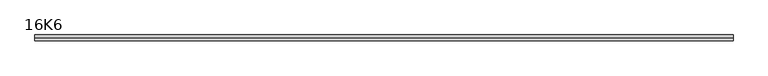
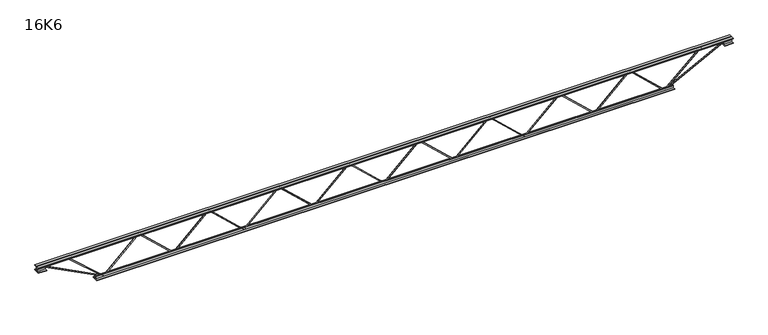
"""IFC4 building model written with IfcOpenShell, lengths in millimetres: beam geometry, 16K6."""

import ifcopenshell
import ifcopenshell.guid

model = None  # the IFC model being written
_history = None  # IfcOwnerHistory: only IFC2X3 demands one
_inside = {}  # id of a spatial element -> (the spatial element, [elements in it])
_under = {}  # id of a project, library or spatial element -> (it, [spatial elements below it])
_declared = {}  # id of a project -> (the project, [libraries it declares])
_typed = {}  # id of a type object -> (the type object, [elements of that type])
_made_of = {}  # id of a material, layer set ... -> (it, [elements and type objects made of it])


def new_model(schema):
    """Start an empty IFC model of exactly this schema.

    Asked for "IFC4X3", IfcOpenShell would pick the latest addendum, in which some entities
    have other attributes; the version numbers below select the first issue.
    IFC2X3 requires an IfcOwnerHistory on every rooted entity: one is made here for all.
    """
    global model, _history
    if schema == "IFC4X3":
        model = ifcopenshell.file(schema_version=(4, 3, 0, 0))
    else:
        model = ifcopenshell.file(schema=schema)
    _inside.clear()
    _under.clear()
    _declared.clear()
    _typed.clear()
    _made_of.clear()
    _history = None
    if model.schema == "IFC2X3":
        org = make("IfcOrganization", Name="unknown")
        user = make(
            "IfcPersonAndOrganization",
            ThePerson=make("IfcPerson", FamilyName="unknown"),
            TheOrganization=org,
        )
        app = make(
            "IfcApplication",
            ApplicationDeveloper=org,
            Version="unknown",
            ApplicationFullName="unknown",
            ApplicationIdentifier="unknown",
        )
        _history = make(
            "IfcOwnerHistory",
            OwningUser=user,
            OwningApplication=app,
            ChangeAction="ADDED",
            CreationDate=0,
        )
    return model


def make(cls, **values):
    """One entity of the class cls with the attributes given. An attribute that is None is left unset."""
    return model.create_entity(
        cls, **{name: value for name, value in values.items() if value is not None}
    )


def rooted(cls, **values):
    """An entity with a GlobalId (a new one), such as an element, a storey or a relation."""
    return make(cls, GlobalId=ifcopenshell.guid.new(), OwnerHistory=_history, **values)


def si_unit(unit_type, name, prefix=None):
    """IfcSIUnit, for example si_unit("LENGTHUNIT", "METRE", prefix="MILLI")."""
    return make("IfcSIUnit", UnitType=unit_type, Prefix=prefix, Name=name)


def assignment(units):
    """IfcUnitAssignment: the units of a project."""
    return None if units is None else make("IfcUnitAssignment", Units=units)


def point(xyz):
    """IfcCartesianPoint."""
    return None if xyz is None else make("IfcCartesianPoint", Coordinates=xyz)


def direction(xyz):
    """IfcDirection."""
    return None if xyz is None else make("IfcDirection", DirectionRatios=xyz)


def frame(location, z_axis=None, x_axis=None):
    """IfcAxis2Placement3D, a coordinate frame: its origin and axes. An axis left out is left unset."""
    return make(
        "IfcAxis2Placement3D",
        Location=point(location),
        Axis=direction(z_axis),
        RefDirection=direction(x_axis),
    )


def origin():
    """The frame at (0, 0, 0) with its axes left unset."""
    return frame((0.0, 0.0, 0.0))


def place(relative_to, where):
    """IfcLocalPlacement: puts the frame where relative to a parent placement (None: the world)."""
    return make(
        "IfcLocalPlacement", PlacementRelTo=relative_to, RelativePlacement=where
    )


def context(
    kind, dimensions, precision=None, world=None, true_north=None, identifier=None
):
    """IfcGeometricRepresentationContext, for example the 3D "Model" context."""
    return make(
        "IfcGeometricRepresentationContext",
        ContextIdentifier=identifier,
        ContextType=kind,
        CoordinateSpaceDimension=dimensions,
        Precision=precision,
        WorldCoordinateSystem=world,
        TrueNorth=true_north,
    )


def project(units=None, contexts=None):
    """IfcProject with its units and contexts."""
    return rooted(
        "IfcProject",
        Name="project",
        RepresentationContexts=contexts,
        UnitsInContext=assignment(units),
    )


def spatial(cls, under=None, at=None, **own):
    """A site, building, storey or space (cls), placed at a placement, below another one or the project."""
    s = rooted(cls, ObjectPlacement=at, **own)
    if under is not None:
        _under.setdefault(under.id(), (under, []))[1].append(s)
    return s


def polyline(points):
    """IfcPolyline through the points."""
    return make("IfcPolyline", Points=[point(p) for p in points])


def outline(outer, holes=None, kind="AREA"):
    """IfcArbitraryClosedProfileDef: a profile drawn as a closed curve; with holes, ...WithVoids."""
    if holes is None:
        return make("IfcArbitraryClosedProfileDef", ProfileType=kind, OuterCurve=outer)
    return make(
        "IfcArbitraryProfileDefWithVoids",
        ProfileType=kind,
        OuterCurve=outer,
        InnerCurves=holes,
    )


def extrude(swept, where, along, depth):
    """IfcExtrudedAreaSolid: the profile swept, set in the frame where, extruded along a direction by depth."""
    return make(
        "IfcExtrudedAreaSolid",
        SweptArea=swept,
        Position=where,
        ExtrudedDirection=direction(along),
        Depth=depth,
    )


def shape(context_of_items, identifier, shape_type, items):
    """IfcShapeRepresentation: the items that make up one representation, for example the "Body"."""
    return make(
        "IfcShapeRepresentation",
        ContextOfItems=context_of_items,
        RepresentationIdentifier=identifier,
        RepresentationType=shape_type,
        Items=items,
    )


def source(mapping_origin, context_of_items, identifier, shape_type, items):
    """IfcRepresentationMap: a shape defined once, which mapped items show again and again."""
    return make(
        "IfcRepresentationMap",
        MappingOrigin=mapping_origin,
        MappedRepresentation=shape(context_of_items, identifier, shape_type, items),
    )


def transform(
    local_origin,
    x_axis=None,
    y_axis=None,
    z_axis=None,
    scale=None,
    scale2=None,
    scale3=None,
    uniform=True,
):
    """IfcCartesianTransformationOperator3D, or its non-uniform kind. x_axis, y_axis, z_axis: its Axis1, 2, 3."""
    if uniform:
        return make(
            "IfcCartesianTransformationOperator3D",
            Axis1=direction(x_axis),
            Axis2=direction(y_axis),
            LocalOrigin=point(local_origin),
            Scale=scale,
            Axis3=direction(z_axis),
        )
    return make(
        "IfcCartesianTransformationOperator3DnonUniform",
        Axis1=direction(x_axis),
        Axis2=direction(y_axis),
        LocalOrigin=point(local_origin),
        Scale=scale,
        Axis3=direction(z_axis),
        Scale2=scale2,
        Scale3=scale3,
    )


def mapped(mapping_source, mapping_target):
    """IfcMappedItem: shows the shape of a source again, moved by a transform."""
    return make(
        "IfcMappedItem", MappingSource=mapping_source, MappingTarget=mapping_target
    )


def made_of(thing, what):
    """Note that an element or type object is made of a material, layer set ...; save() writes the relation."""
    if what is not None:
        _made_of.setdefault(what.id(), (what, []))[1].append(thing)
    return thing


def element(
    cls,
    number,
    at=None,
    inside=None,
    cuts=None,
    type_object=None,
    material=None,
    context=None,
    identifier="Body",
    shape_type=None,
    held_by="IfcProductDefinitionShape",
    body=None,
    shapes=None,
    **own,
):
    """One element of the class cls, such as IfcWall. Its Tag is "e" and its number.

    at: its placement. inside: the storey or other place that contains it. cuts: it is an
    opening in that element (IfcRelVoidsElement). A single representation is given by context,
    identifier, shape_type and body (its items); several are given by shapes. held_by: the class
    of the entity that holds the representations. save() writes the other relations.
    """
    e = rooted(cls, Tag="e%d" % number, ObjectPlacement=at, **own)
    if body is not None:
        shapes = [shape(context, identifier, shape_type, body)]
    if shapes is not None:
        e.Representation = make(held_by, Representations=shapes)
    if inside is not None:
        _inside.setdefault(inside.id(), (inside, []))[1].append(e)
    if cuts is not None:
        rooted(
            "IfcRelVoidsElement", RelatingBuildingElement=cuts, RelatedOpeningElement=e
        )
    if type_object is not None:
        _typed.setdefault(type_object.id(), (type_object, []))[1].append(e)
    return made_of(e, material)


def aggregate(whole, parts):
    """IfcRelAggregates: a whole, such as a stair, and the parts it consists of."""
    return rooted("IfcRelAggregates", RelatingObject=whole, RelatedObjects=parts)


def save(model, path):
    """Write the relations noted so far, then the file.

    IfcRelAggregates (storeys below a building ...), IfcRelContainedInSpatialStructure (elements
    in a storey), IfcRelDefinesByType, IfcRelAssociatesMaterial and IfcRelDeclares: one each for
    every whole, place, type object, material and project.
    """
    for whole, parts in _under.values():
        aggregate(whole, parts)
    for where, things in _inside.values():
        rooted(
            "IfcRelContainedInSpatialStructure",
            RelatedElements=things,
            RelatingStructure=where,
        )
    for kind, things in _typed.values():
        rooted("IfcRelDefinesByType", RelatedObjects=things, RelatingType=kind)
    for what, things in _made_of.values():
        rooted("IfcRelAssociatesMaterial", RelatedObjects=things, RelatingMaterial=what)
    for by, libraries in _declared.values():
        rooted("IfcRelDeclares", RelatingContext=by, RelatedDefinitions=libraries)
    model.write(path)


def beam_16k6_288b4460(model_context):
    return source(origin(), model_context, "Body", "SweptSolid", [
        extrude(outline(polyline([(-191.9, 1707.8571429), (-201.4, 1707.8571429), (-201.4, 1712.9072406), (191.9, 2133.4322406), (191.9, 2136.0320452), (-201.4, 2556.5570452), (-201.4, 2561.6071429), (-191.9, 2561.6071429), (-191.9, 2560.3072406), (201.4, 2139.7822406), (201.4, 2129.6820452), (-191.9, 1709.1570452), (-191.9, 1707.8571429)])), frame((0.0, -4.75, 0.0), z_axis=(0.0, 1.0, 0.0), x_axis=(0.0, 0.0, 1.0)), (0.0, 0.0, 1.0), 9.5),
        extrude(outline(polyline([(-191.9, 853.9642857), (-201.4, 853.9642857), (-201.4, 859.0143834), (191.9, 1279.5393834), (191.9, 1282.139188), (-201.4, 1702.664188), (-201.4, 1707.7142857), (-191.9, 1707.7142857), (-191.9, 1706.4143834), (201.4, 1285.8893834), (201.4, 1275.789188), (-191.9, 855.264188), (-191.9, 853.9642857)])), frame((0.0, -4.75, 0.0), z_axis=(0.0, 1.0, 0.0), x_axis=(0.0, 0.0, 1.0)), (0.0, 0.0, 1.0), 9.5),
        extrude(outline(polyline([(-191.9, 0.0714286), (-201.4, 0.0714286), (-201.4, 5.1215263), (191.9, 425.6465263), (191.9, 428.2463309), (-201.4, 848.7713309), (-201.4, 853.8214286), (-191.9, 853.8214286), (-191.9, 852.5215263), (201.4, 431.9965263), (201.4, 421.8963309), (-191.9, 1.3713309), (-191.9, 0.0714286)])), frame((0.0, -4.75, 0.0), z_axis=(0.0, 1.0, 0.0), x_axis=(0.0, 0.0, 1.0)), (0.0, 0.0, 1.0), 9.5),
        extrude(outline(polyline([(-191.9, -853.8214286), (-201.4, -853.8214286), (-201.4, -848.7713309), (191.9, -428.2463309), (191.9, -425.6465263), (-201.4, -5.1215263), (-201.4, -0.0714286), (-191.9, -0.0714286), (-191.9, -1.3713309), (201.4, -421.8963309), (201.4, -431.9965263), (-191.9, -852.5215263), (-191.9, -853.8214286)])), frame((0.0, -4.75, 0.0), z_axis=(0.0, 1.0, 0.0), x_axis=(0.0, 0.0, 1.0)), (0.0, 0.0, 1.0), 9.5),
        extrude(outline(polyline([(-191.9, -1707.7142857), (-201.4, -1707.7142857), (-201.4, -1702.664188), (191.9, -1282.139188), (191.9, -1279.5393834), (-201.4, -859.0143834), (-201.4, -853.9642857), (-191.9, -853.9642857), (-191.9, -855.264188), (201.4, -1275.789188), (201.4, -1285.8893834), (-191.9, -1706.4143834), (-191.9, -1707.7142857)])), frame((0.0, -4.75, 0.0), z_axis=(0.0, 1.0, 0.0), x_axis=(0.0, 0.0, 1.0)), (0.0, 0.0, 1.0), 9.5),
        extrude(outline(polyline([(-191.9, -2561.6071429), (-201.4, -2561.6071429), (-201.4, -2556.5570452), (191.9, -2136.0320452), (191.9, -2133.4322406), (-201.4, -1712.9072406), (-201.4, -1707.8571429), (-191.9, -1707.8571429), (-191.9, -1709.1570452), (201.4, -2129.6820452), (201.4, -2139.7822406), (-191.9, -2560.3072406), (-191.9, -2561.6071429)])), frame((0.0, -4.75, 0.0), z_axis=(0.0, 1.0, 0.0), x_axis=(0.0, 0.0, 1.0)), (0.0, 0.0, 1.0), 9.5),
        extrude(outline(polyline([(-191.9, 2561.75), (-201.4, 2561.75), (-201.4, 2566.8000977), (191.9, 2987.3250977), (191.9, 2989.9249023), (-201.4, 3410.4499023), (-201.4, 3415.5), (-191.9, 3415.5), (-191.9, 3414.2000977), (201.4, 2993.6750977), (201.4, 2983.5749023), (-191.9, 2563.0499023), (-191.9, 2561.75)])), frame((0.0, -4.75, 0.0), z_axis=(0.0, 1.0, 0.0), x_axis=(0.0, 0.0, 1.0)), (0.0, 0.0, 1.0), 9.5),
        extrude(outline(polyline([(-191.9, -3415.5), (-201.4, -3415.5), (-201.4, -3410.4499023), (191.9, -2989.9249023), (191.9, -2987.3250977), (-201.4, -2566.8000977), (-201.4, -2561.75), (-191.9, -2561.75), (-191.9, -2563.0499023), (201.4, -2983.5749023), (201.4, -2993.6750977), (-191.9, -3414.2000977), (-191.9, -3415.5)])), frame((0.0, -4.75, 0.0), z_axis=(0.0, 1.0, 0.0), x_axis=(0.0, 0.0, 1.0)), (0.0, 0.0, 1.0), 9.5),
        extrude(outline(polyline([(4.75, 203.0), (36.75, 203.0), (36.75, 196.5), (11.25, 196.5), (11.25, 171.0), (4.75, 171.0), (4.75, 203.0)])), frame((-4227.5, 0.0, 0.0), z_axis=(1.0, 0.0, 0.0), x_axis=(0.0, 1.0, 0.0)), (0.0, 0.0, 1.0), 8455.0),
        extrude(outline(polyline([(-4.75, 203.0), (-4.75, 171.0), (-11.25, 171.0), (-11.25, 196.5), (-36.75, 196.5), (-36.75, 203.0), (-4.75, 203.0)])), frame((-4227.5, 0.0, 0.0), z_axis=(1.0, 0.0, 0.0), x_axis=(0.0, 1.0, 0.0)), (0.0, 0.0, 1.0), 8455.0),
        extrude(outline(polyline([(-4.75, 139.5), (-36.75, 139.5), (-36.75, 146.0), (-11.25, 146.0), (-11.25, 171.0), (-4.75, 171.0), (-4.75, 139.5)])), frame((-4227.5, 0.0, 0.0), z_axis=(1.0, 0.0, 0.0), x_axis=(0.0, 1.0, 0.0)), (0.0, 0.0, 1.0), 100.0),
        extrude(outline(polyline([(36.75, 139.5), (4.75, 139.5), (4.75, 171.0), (11.25, 171.0), (11.25, 146.0), (36.75, 146.0), (36.75, 139.5)])), frame((-4227.5, 0.0, 0.0), z_axis=(1.0, 0.0, 0.0), x_axis=(0.0, 1.0, 0.0)), (0.0, 0.0, 1.0), 100.0),
        extrude(outline(polyline([(4.75, 139.5), (4.75, 171.0), (11.25, 171.0), (11.25, 146.0), (36.75, 146.0), (36.75, 139.5), (4.75, 139.5)])), frame((4127.5, 0.0, 0.0), z_axis=(1.0, 0.0, 0.0), x_axis=(0.0, 1.0, 0.0)), (0.0, 0.0, 1.0), 100.0),
        extrude(outline(polyline([(-4.75, 139.5), (-36.75, 139.5), (-36.75, 146.0), (-11.25, 146.0), (-11.25, 171.0), (-4.75, 171.0), (-4.75, 139.5)])), frame((4127.5, 0.0, 0.0), z_axis=(1.0, 0.0, 0.0), x_axis=(0.0, 1.0, 0.0)), (0.0, 0.0, 1.0), 100.0),
        extrude(outline(polyline([(4.75, -203.0), (4.75, -171.0), (11.25, -171.0), (11.25, -196.5), (36.75, -196.5), (36.75, -203.0), (4.75, -203.0)])), frame((-3515.5, 0.0, 0.0), z_axis=(1.0, 0.0, 0.0), x_axis=(0.0, 1.0, 0.0)), (0.0, 0.0, 1.0), 7031.0),
        extrude(outline(polyline([(-4.75, -203.0), (-36.75, -203.0), (-36.75, -196.5), (-11.25, -196.5), (-11.25, -171.0), (-4.75, -171.0), (-4.75, -203.0)])), frame((-3515.5, 0.0, 0.0), z_axis=(1.0, 0.0, 0.0), x_axis=(0.0, 1.0, 0.0)), (0.0, 0.0, 1.0), 7031.0),
        extrude(outline(polyline([(-200.8705467, -3417.6793315), (-192.4294533, -3413.3206685), (175.75, -4126.3460208), (175.75, -4227.5), (166.25, -4227.5), (166.25, -4128.6539792), (-200.8705467, -3417.6793315)])), frame((0.0, -4.75, 0.0), z_axis=(0.0, 1.0, 0.0), x_axis=(0.0, 0.0, 1.0)), (0.0, 0.0, 1.0), 9.5),
        extrude(outline(polyline([(188.7, -3862.3321429), (179.2, -3862.3321429), (179.2, -3851.4194796), (-200.2217434, -3418.6313174), (-193.0782566, -3412.3686826), (188.7, -3847.8448061), (188.7, -3862.3321429)])), frame((0.0, -4.75, 0.0), z_axis=(0.0, 1.0, 0.0), x_axis=(0.0, 0.0, 1.0)), (0.0, 0.0, 1.0), 9.5),
        extrude(outline(polyline([(0.0, -9.5), (0.0, 0.0), (801.3179909, 0.0), (801.3179909, -9.5), (0.0, -9.5)])), frame((4129.6793315, -4.75, 166.7794533), z_axis=(-0.458806621324497, 0.0, 0.8885361468329804), x_axis=(-0.8885361468329804, 0.0, -0.458806621324497)), (0.0, 0.0, 1.0), 9.5),
        extrude(outline(polyline([(0.0, -9.5), (0.0, 0.0), (591.1931931, 0.0), (591.1931931, -9.5), (0.0, -9.5)])), frame((3860.0492933, -4.75, 193.1036143), z_axis=(-0.6652647638779633, 0.0, 0.7466075233631106), x_axis=(-0.7466075233631106, 0.0, -0.6652647638779633)), (0.0, 0.0, 1.0), 9.5),
    ])


if __name__ == "__main__":
    model = new_model("IFC4")
    model_context = context("Model", 3, world=origin())
    ifc_project = project(units=[si_unit("LENGTHUNIT", "METRE", prefix="MILLI")], contexts=[model_context])
    site = spatial("IfcSite", under=ifc_project)
    building = spatial("IfcBuilding", under=site)
    placement = place(None, origin())
    beam_16k6_shape = beam_16k6_288b4460(model_context)
    element("IfcBeam", 1, ObjectType="16K6", at=placement, inside=building, context=model_context, shape_type="MappedRepresentation", body=[
        mapped(beam_16k6_shape, transform((0.0, 0.0, 0.0), x_axis=(1.0, 0.0, 0.0), y_axis=(0.0, 1.0, 0.0), z_axis=(0.0, 0.0, 1.0))),
    ])
    save(model, "model.ifc")
